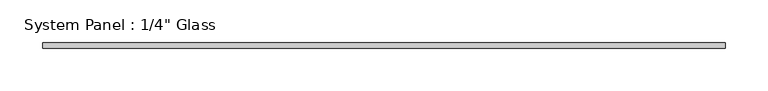
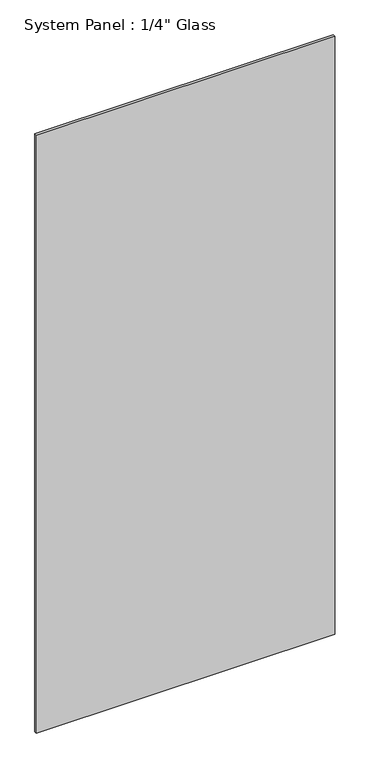
"""IFC4 building model written with IfcOpenShell, lengths in millimetres: plate geometry."""

from ifc_helpers import new_model, si_unit, origin, origin_with_axes, place, context, project, spatial, polyline, outline, extrude, source, transform, mapped, element, save


def plate_fd42a8e2(model_context):
    return source(origin(), model_context, "Body", "SweptSolid", [
        extrude(outline(polyline([(400.05, -3.175), (-400.05, -3.175), (-400.05, 3.175), (400.05, 3.175), (400.05, -3.175)])), origin_with_axes(), (0.0, 0.0, 1.0), 1695.45),
    ])


if __name__ == "__main__":
    model = new_model("IFC4")
    model_context = context("Model", 3, world=origin())
    ifc_project = project(units=[si_unit("LENGTHUNIT", "METRE", prefix="MILLI")], contexts=[model_context])
    site = spatial("IfcSite", under=ifc_project)
    building = spatial("IfcBuilding", under=site)
    placement = place(None, origin())
    plate_shape = plate_fd42a8e2(model_context)
    element("IfcPlate", 1, ObjectType="System Panel : 1/4\" Glass", at=placement, inside=building, context=model_context, shape_type="MappedRepresentation", body=[
        mapped(plate_shape, transform((0.0, 0.0, 0.0), x_axis=(1.0, 0.0, 0.0), y_axis=(0.0, 1.0, 0.0), z_axis=(0.0, 0.0, 1.0))),
    ])
    save(model, "model.ifc")
